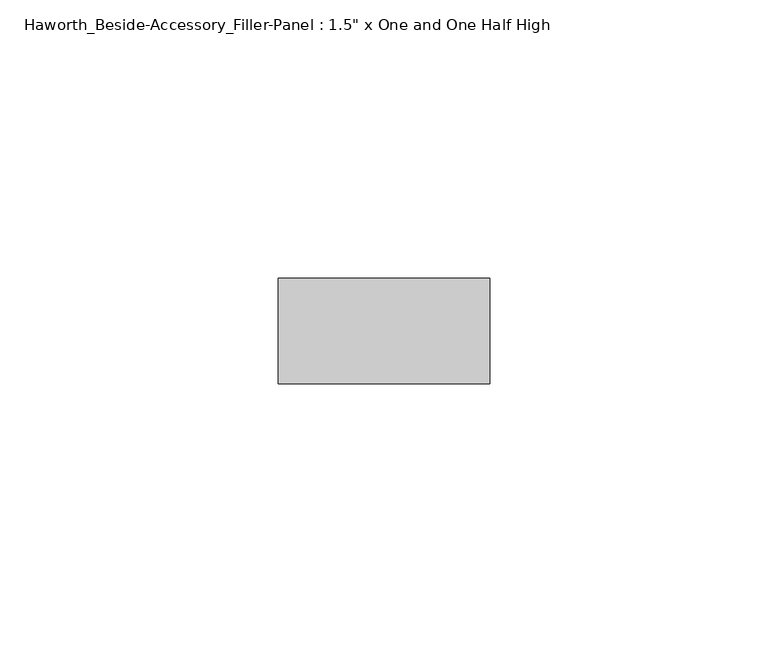
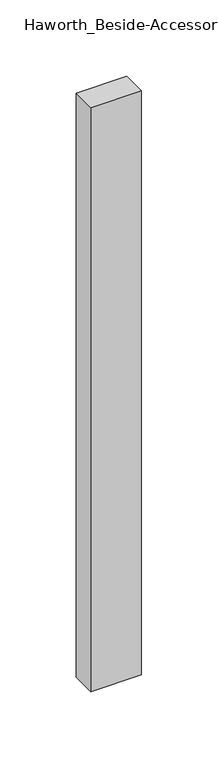
"""IFC4 building model written with IfcOpenShell, lengths in millimetres: furniture geometry."""

import ifcopenshell
import ifcopenshell.guid

model = None  # the IFC model being written
_history = None  # IfcOwnerHistory: only IFC2X3 demands one
_inside = {}  # id of a spatial element -> (the spatial element, [elements in it])
_under = {}  # id of a project, library or spatial element -> (it, [spatial elements below it])
_declared = {}  # id of a project -> (the project, [libraries it declares])
_typed = {}  # id of a type object -> (the type object, [elements of that type])
_made_of = {}  # id of a material, layer set ... -> (it, [elements and type objects made of it])


def new_model(schema):
    """Start an empty IFC model of exactly this schema.

    Asked for "IFC4X3", IfcOpenShell would pick the latest addendum, in which some entities
    have other attributes; the version numbers below select the first issue.
    IFC2X3 requires an IfcOwnerHistory on every rooted entity: one is made here for all.
    """
    global model, _history
    if schema == "IFC4X3":
        model = ifcopenshell.file(schema_version=(4, 3, 0, 0))
    else:
        model = ifcopenshell.file(schema=schema)
    _inside.clear()
    _under.clear()
    _declared.clear()
    _typed.clear()
    _made_of.clear()
    _history = None
    if model.schema == "IFC2X3":
        org = make("IfcOrganization", Name="unknown")
        user = make(
            "IfcPersonAndOrganization",
            ThePerson=make("IfcPerson", FamilyName="unknown"),
            TheOrganization=org,
        )
        app = make(
            "IfcApplication",
            ApplicationDeveloper=org,
            Version="unknown",
            ApplicationFullName="unknown",
            ApplicationIdentifier="unknown",
        )
        _history = make(
            "IfcOwnerHistory",
            OwningUser=user,
            OwningApplication=app,
            ChangeAction="ADDED",
            CreationDate=0,
        )
    return model


def make(cls, **values):
    """One entity of the class cls with the attributes given. An attribute that is None is left unset."""
    return model.create_entity(
        cls, **{name: value for name, value in values.items() if value is not None}
    )


def rooted(cls, **values):
    """An entity with a GlobalId (a new one), such as an element, a storey or a relation."""
    return make(cls, GlobalId=ifcopenshell.guid.new(), OwnerHistory=_history, **values)


def si_unit(unit_type, name, prefix=None):
    """IfcSIUnit, for example si_unit("LENGTHUNIT", "METRE", prefix="MILLI")."""
    return make("IfcSIUnit", UnitType=unit_type, Prefix=prefix, Name=name)


def assignment(units):
    """IfcUnitAssignment: the units of a project."""
    return None if units is None else make("IfcUnitAssignment", Units=units)


def point(xyz):
    """IfcCartesianPoint."""
    return None if xyz is None else make("IfcCartesianPoint", Coordinates=xyz)


def direction(xyz):
    """IfcDirection."""
    return None if xyz is None else make("IfcDirection", DirectionRatios=xyz)


def frame(location, z_axis=None, x_axis=None):
    """IfcAxis2Placement3D, a coordinate frame: its origin and axes. An axis left out is left unset."""
    return make(
        "IfcAxis2Placement3D",
        Location=point(location),
        Axis=direction(z_axis),
        RefDirection=direction(x_axis),
    )


def origin():
    """The frame at (0, 0, 0) with its axes left unset."""
    return frame((0.0, 0.0, 0.0))


def place(relative_to, where):
    """IfcLocalPlacement: puts the frame where relative to a parent placement (None: the world)."""
    return make(
        "IfcLocalPlacement", PlacementRelTo=relative_to, RelativePlacement=where
    )


def context(
    kind, dimensions, precision=None, world=None, true_north=None, identifier=None
):
    """IfcGeometricRepresentationContext, for example the 3D "Model" context."""
    return make(
        "IfcGeometricRepresentationContext",
        ContextIdentifier=identifier,
        ContextType=kind,
        CoordinateSpaceDimension=dimensions,
        Precision=precision,
        WorldCoordinateSystem=world,
        TrueNorth=true_north,
    )


def project(units=None, contexts=None):
    """IfcProject with its units and contexts."""
    return rooted(
        "IfcProject",
        Name="project",
        RepresentationContexts=contexts,
        UnitsInContext=assignment(units),
    )


def spatial(cls, under=None, at=None, **own):
    """A site, building, storey or space (cls), placed at a placement, below another one or the project."""
    s = rooted(cls, ObjectPlacement=at, **own)
    if under is not None:
        _under.setdefault(under.id(), (under, []))[1].append(s)
    return s


def polyline(points):
    """IfcPolyline through the points."""
    return make("IfcPolyline", Points=[point(p) for p in points])


def outline(outer, holes=None, kind="AREA"):
    """IfcArbitraryClosedProfileDef: a profile drawn as a closed curve; with holes, ...WithVoids."""
    if holes is None:
        return make("IfcArbitraryClosedProfileDef", ProfileType=kind, OuterCurve=outer)
    return make(
        "IfcArbitraryProfileDefWithVoids",
        ProfileType=kind,
        OuterCurve=outer,
        InnerCurves=holes,
    )


def extrude(swept, where, along, depth):
    """IfcExtrudedAreaSolid: the profile swept, set in the frame where, extruded along a direction by depth."""
    return make(
        "IfcExtrudedAreaSolid",
        SweptArea=swept,
        Position=where,
        ExtrudedDirection=direction(along),
        Depth=depth,
    )


def shape(context_of_items, identifier, shape_type, items):
    """IfcShapeRepresentation: the items that make up one representation, for example the "Body"."""
    return make(
        "IfcShapeRepresentation",
        ContextOfItems=context_of_items,
        RepresentationIdentifier=identifier,
        RepresentationType=shape_type,
        Items=items,
    )


def source(mapping_origin, context_of_items, identifier, shape_type, items):
    """IfcRepresentationMap: a shape defined once, which mapped items show again and again."""
    return make(
        "IfcRepresentationMap",
        MappingOrigin=mapping_origin,
        MappedRepresentation=shape(context_of_items, identifier, shape_type, items),
    )


def transform(
    local_origin,
    x_axis=None,
    y_axis=None,
    z_axis=None,
    scale=None,
    scale2=None,
    scale3=None,
    uniform=True,
):
    """IfcCartesianTransformationOperator3D, or its non-uniform kind. x_axis, y_axis, z_axis: its Axis1, 2, 3."""
    if uniform:
        return make(
            "IfcCartesianTransformationOperator3D",
            Axis1=direction(x_axis),
            Axis2=direction(y_axis),
            LocalOrigin=point(local_origin),
            Scale=scale,
            Axis3=direction(z_axis),
        )
    return make(
        "IfcCartesianTransformationOperator3DnonUniform",
        Axis1=direction(x_axis),
        Axis2=direction(y_axis),
        LocalOrigin=point(local_origin),
        Scale=scale,
        Axis3=direction(z_axis),
        Scale2=scale2,
        Scale3=scale3,
    )


def mapped(mapping_source, mapping_target):
    """IfcMappedItem: shows the shape of a source again, moved by a transform."""
    return make(
        "IfcMappedItem", MappingSource=mapping_source, MappingTarget=mapping_target
    )


def made_of(thing, what):
    """Note that an element or type object is made of a material, layer set ...; save() writes the relation."""
    if what is not None:
        _made_of.setdefault(what.id(), (what, []))[1].append(thing)
    return thing


def element(
    cls,
    number,
    at=None,
    inside=None,
    cuts=None,
    type_object=None,
    material=None,
    context=None,
    identifier="Body",
    shape_type=None,
    held_by="IfcProductDefinitionShape",
    body=None,
    shapes=None,
    **own,
):
    """One element of the class cls, such as IfcWall. Its Tag is "e" and its number.

    at: its placement. inside: the storey or other place that contains it. cuts: it is an
    opening in that element (IfcRelVoidsElement). A single representation is given by context,
    identifier, shape_type and body (its items); several are given by shapes. held_by: the class
    of the entity that holds the representations. save() writes the other relations.
    """
    e = rooted(cls, Tag="e%d" % number, ObjectPlacement=at, **own)
    if body is not None:
        shapes = [shape(context, identifier, shape_type, body)]
    if shapes is not None:
        e.Representation = make(held_by, Representations=shapes)
    if inside is not None:
        _inside.setdefault(inside.id(), (inside, []))[1].append(e)
    if cuts is not None:
        rooted(
            "IfcRelVoidsElement", RelatingBuildingElement=cuts, RelatedOpeningElement=e
        )
    if type_object is not None:
        _typed.setdefault(type_object.id(), (type_object, []))[1].append(e)
    return made_of(e, material)


def aggregate(whole, parts):
    """IfcRelAggregates: a whole, such as a stair, and the parts it consists of."""
    return rooted("IfcRelAggregates", RelatingObject=whole, RelatedObjects=parts)


def save(model, path):
    """Write the relations noted so far, then the file.

    IfcRelAggregates (storeys below a building ...), IfcRelContainedInSpatialStructure (elements
    in a storey), IfcRelDefinesByType, IfcRelAssociatesMaterial and IfcRelDeclares: one each for
    every whole, place, type object, material and project.
    """
    for whole, parts in _under.values():
        aggregate(whole, parts)
    for where, things in _inside.values():
        rooted(
            "IfcRelContainedInSpatialStructure",
            RelatedElements=things,
            RelatingStructure=where,
        )
    for kind, things in _typed.values():
        rooted("IfcRelDefinesByType", RelatedObjects=things, RelatingType=kind)
    for what, things in _made_of.values():
        rooted("IfcRelAssociatesMaterial", RelatedObjects=things, RelatingMaterial=what)
    for by, libraries in _declared.values():
        rooted("IfcRelDeclares", RelatingContext=by, RelatedDefinitions=libraries)
    model.write(path)


def furniture_646abd23(model_context):
    return source(origin(), model_context, "Body", "SweptSolid", [
        extrude(outline(polyline([(320.675, 247.8645843), (320.675, 228.8145843), (282.575, 228.8145843), (282.575, 247.8645843), (320.675, 247.8645843)])), frame((0.0, 0.0, 44.45), z_axis=(0.0, 0.0, 1.0), x_axis=(1.0, 0.0, 0.0)), (0.0, 0.0, 1.0), 466.725),
    ])


if __name__ == "__main__":
    model = new_model("IFC4")
    model_context = context("Model", 3, world=origin())
    ifc_project = project(units=[si_unit("LENGTHUNIT", "METRE", prefix="MILLI")], contexts=[model_context])
    site = spatial("IfcSite", under=ifc_project)
    building = spatial("IfcBuilding", under=site)
    placement = place(None, origin())
    furniture_shape = furniture_646abd23(model_context)
    element("IfcFurniture", 1, ObjectType="Haworth_Beside-Accessory_Filler-Panel : 1.5\" x One and One Half High", at=placement, inside=building, context=model_context, shape_type="MappedRepresentation", body=[
        mapped(furniture_shape, transform((0.0, 0.0, 0.0), x_axis=(1.0, 0.0, 0.0), y_axis=(0.0, 1.0, 0.0), z_axis=(0.0, 0.0, 1.0))),
    ])
    save(model, "model.ifc")
